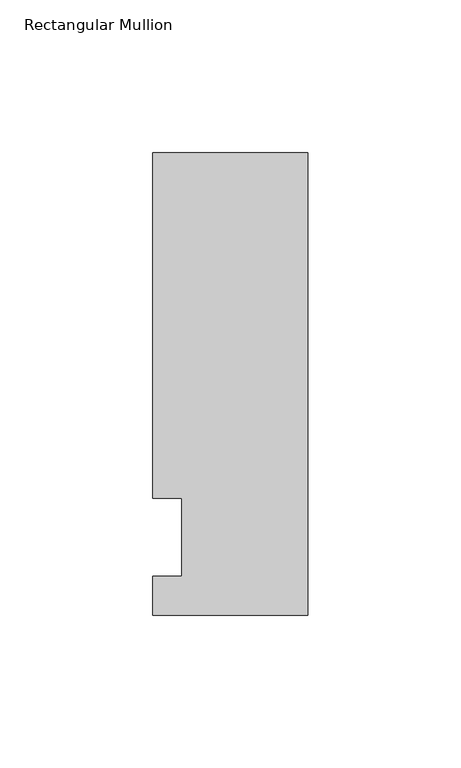
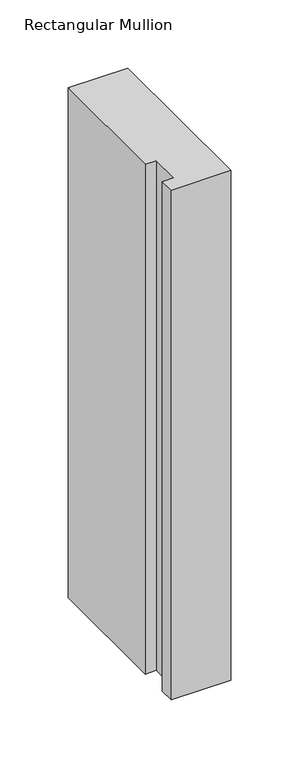
"""IFC4 building model written with IfcOpenShell, lengths in millimetres: member geometry, Rectangular Mullion."""

from ifc_helpers import new_model, si_unit, frame, origin, place, context, project, spatial, polyline, outline, extrude, source, transform, mapped, element, save


def rectangular_mullion_95a0b07c(model_context):
    return source(origin(), model_context, "Body", "SweptSolid", [
        extrude(outline(polyline([(-50.8, -25.4508252), (-50.8, -12.7), (-41.275, -12.7), (-41.275, 12.7), (-50.8, 12.7), (-50.8, 125.8533), (0.0, 125.8533), (0.0, -25.4508252), (-50.8, -25.4508252)])), frame((0.0, 0.0, -457.2), z_axis=(0.0, 0.0, 1.0), x_axis=(1.0, 0.0, 0.0)), (0.0, 0.0, 1.0), 457.2),
    ])


if __name__ == "__main__":
    model = new_model("IFC4")
    model_context = context("Model", 3, world=origin())
    ifc_project = project(units=[si_unit("LENGTHUNIT", "METRE", prefix="MILLI")], contexts=[model_context])
    site = spatial("IfcSite", under=ifc_project)
    building = spatial("IfcBuilding", under=site)
    placement = place(None, origin())
    rectangular_mullion_shape = rectangular_mullion_95a0b07c(model_context)
    element("IfcMember", 1, ObjectType="Rectangular Mullion", at=placement, inside=building, context=model_context, shape_type="MappedRepresentation", body=[
        mapped(rectangular_mullion_shape, transform((0.0, 0.0, 0.0), x_axis=(1.0, 0.0, 0.0), y_axis=(0.0, 1.0, 0.0), z_axis=(0.0, 0.0, 1.0))),
    ])
    save(model, "model.ifc")
